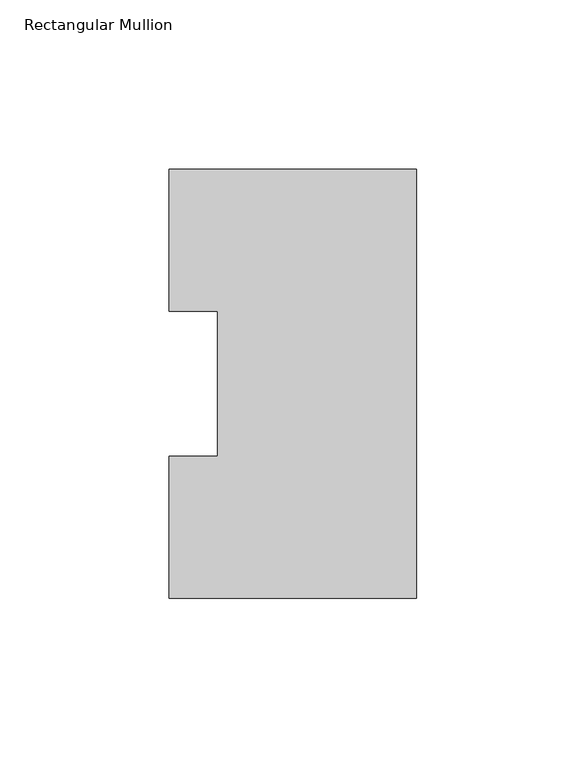
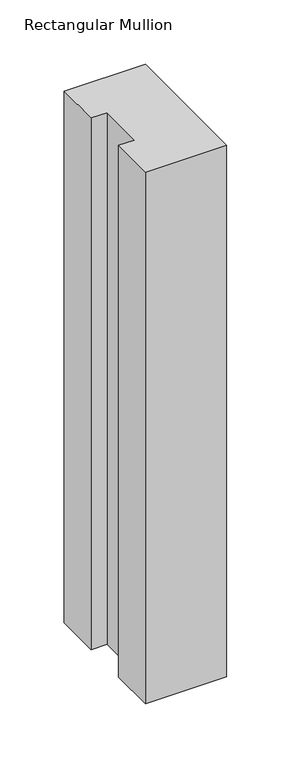
"""IFC4 building model written with IfcOpenShell, lengths in millimetres: member geometry, Rectangular Mullion."""

from ifc_helpers import new_model, si_unit, frame, origin, place, context, project, spatial, polyline, outline, extrude, source, transform, mapped, element, save


def rectangular_mullion_6187e417(model_context):
    return source(origin(), model_context, "Body", "SweptSolid", [
        extrude(outline(polyline([(0.0, 126.4546938), (0.0, -0.0373062), (-73.025, -0.0373062), (-73.025, 41.7837937), (-58.7375, 41.7837937), (-58.7375, 84.6335938), (-73.025, 84.6335938), (-73.025, 126.4546938), (0.0, 126.4546938)])), frame((0.0, 0.0, -504.825), z_axis=(0.0, 0.0, 1.0), x_axis=(1.0, 0.0, 0.0)), (0.0, 0.0, 1.0), 504.825),
    ])


if __name__ == "__main__":
    model = new_model("IFC4")
    model_context = context("Model", 3, world=origin())
    ifc_project = project(units=[si_unit("LENGTHUNIT", "METRE", prefix="MILLI")], contexts=[model_context])
    site = spatial("IfcSite", under=ifc_project)
    building = spatial("IfcBuilding", under=site)
    placement = place(None, origin())
    rectangular_mullion_shape = rectangular_mullion_6187e417(model_context)
    element("IfcMember", 1, ObjectType="Rectangular Mullion", at=placement, inside=building, context=model_context, shape_type="MappedRepresentation", body=[
        mapped(rectangular_mullion_shape, transform((0.0, 0.0, 0.0), x_axis=(1.0, 0.0, 0.0), y_axis=(0.0, 1.0, 0.0), z_axis=(0.0, 0.0, 1.0))),
    ])
    save(model, "model.ifc")
